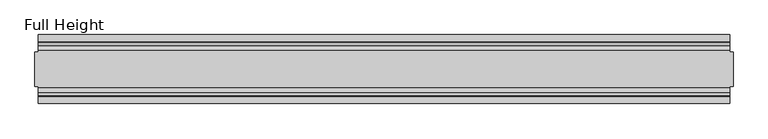
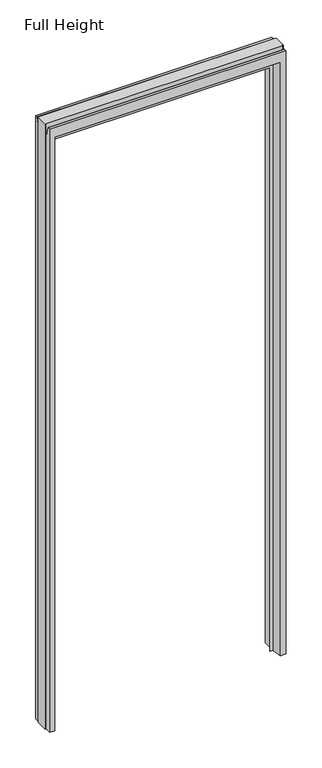
"""IFC4 building model written with IfcOpenShell, lengths in millimetres: plate geometry, Full Height."""

from ifc_helpers import new_model, si_unit, frame, origin, place, context, project, spatial, polyline, circle_curve, source, transform, mapped, element, save
from ifc_brep_helpers import plane_surface, cylinder_surface, revolved_surface, advanced_brep


def full_height_13b39094(model_context):
    return source(origin(), model_context, "Body", "AdvancedBrep", [
        advanced_brep(
        [(-502.2567824, -50.0, 0.0), (-502.2567824, -25.146, 0.0), (-506.8287824, -25.146, 0.0), (-506.8287824, 25.146, 0.0), (-502.2567824, 25.146, 0.0), (-502.2567824, 50.0, 0.0), (-474.1897824, 50.0, 0.0), (-474.1897824, -4.8306519, 0.0), (-461.4897824, -4.8306519, 0.0), (-461.4897824, -6.1006519, 0.0), (-474.1897824, -6.1006519, 0.0), (-480.1587824, -50.0, 0.0), (502.2567824, 50.0, 0.0), (502.2567824, 25.146, 0.0), (506.8287824, 25.146, 0.0), (506.8287824, -25.146, 0.0), (502.2567824, -25.146, 0.0), (502.2567824, -50.0, 0.0), (480.1587824, -50.0, 0.0), (474.1897824, -6.1006519, 0.0), (461.4897824, -6.1006519, 0.0), (461.4897824, -4.8306519, 0.0), (474.1897824, -4.8306519, 0.0), (474.1897824, 50.0, 0.0), (506.8287824, -25.146, 2720.34), (506.8287824, 25.146, 2720.34), (502.2567824, 25.146, 2720.34), (502.2567824, 26.67, 2720.34), (-502.2567824, 26.67, 2720.34), (-502.2567824, 25.146, 2720.34), (-506.8287824, 25.146, 2720.34), (-506.8287824, -25.146, 2720.34), (-502.2567824, -25.146, 2720.34), (-502.2567824, -26.67, 2720.34), (502.2567824, -26.67, 2720.34), (502.2567824, -25.146, 2720.34), (-502.2567824, 26.67, 2683.129), (-502.2567824, 34.2321175, 2682.4674004), (-502.2567824, 39.1867152, 2710.5663199), (-502.2567824, 39.9371387, 2711.196), (-502.2567824, 50.0, 2711.196), (-502.2567824, -50.0, 2711.196), (-502.2567824, -39.9371387, 2711.196), (-502.2567824, -39.1867152, 2710.5663199), (-502.2567824, -34.2321175, 2682.4674004), (-502.2567824, -26.67, 2683.129), (502.2567824, 50.0, 2711.196), (474.1897824, 50.0, 2666.619), (-474.1897824, 50.0, 2666.619), (-480.1587824, -50.0, 2666.619), (480.1587824, -50.0, 2666.619), (502.2567824, -50.0, 2711.196), (502.2567824, -26.67, 2683.129), (502.2567824, -34.2321175, 2682.4674004), (502.2567824, -39.1867152, 2710.5663199), (502.2567824, -39.9371387, 2711.196), (502.2567824, 39.9371387, 2711.196), (502.2567824, 39.1867152, 2710.5663199), (502.2567824, 34.2321175, 2682.4674004), (502.2567824, 26.67, 2683.129), (-474.1897824, -4.8306519, 2666.619), (474.1897824, -4.8306519, 2666.619), (461.4897824, -4.8306519, 2622.55), (-461.4897824, -4.8306519, 2622.55), (-461.4897824, -6.1006519, 2622.55), (461.4897824, -6.1006519, 2622.55), (474.1897824, -6.1006519, 2660.65), (-474.1897824, -6.1006519, 2660.65)],
        [
            (0, 1),
            (1, 2),
            (2, 3),
            (3, 4),
            (4, 5),
            (5, 6),
            (6, 7),
            (7, 8),
            (8, 9),
            (9, 10),
            (10, 11),
            (11, 0),
            (12, 13),
            (13, 14),
            (14, 15),
            (15, 16),
            (16, 17),
            (17, 18),
            (18, 19),
            (19, 20),
            (20, 21),
            (21, 22),
            (22, 23),
            (23, 12),
            (24, 25),
            (25, 26),
            (26, 27),
            (27, 28),
            (28, 29),
            (29, 30),
            (30, 31),
            (31, 32),
            (32, 33),
            (33, 34),
            (34, 35),
            (35, 24),
            (15, 24),
            (35, 16),
            (25, 14),
            (13, 26),
            (30, 3),
            (2, 31),
            (29, 4),
            (1, 32),
            (28, 36),
            (36, 37, circle_curve(frame((-502.2567824, 30.48, 2683.129), z_axis=(1.0, 0.0, 0.0), x_axis=(0.0, 1.0, 0.0)), 3.81)),
            (37, 38),
            (38, 39, circle_curve(frame((-502.2567824, 39.9371387, 2710.434), z_axis=(-1.0, 0.0, 0.0), x_axis=(0.0, 1.0, 0.0)), 0.762)),
            (39, 40),
            (40, 5),
            (0, 41),
            (41, 42),
            (42, 43, circle_curve(frame((-502.2567824, -39.9371387, 2710.434), z_axis=(-1.0, 0.0, 0.0), x_axis=(0.0, 1.0, 0.0)), 0.762)),
            (43, 44),
            (44, 45, circle_curve(frame((-502.2567824, -30.48, 2683.129), z_axis=(1.0, 0.0, 0.0), x_axis=(0.0, 1.0, 0.0)), 3.81)),
            (45, 33),
            (40, 46),
            (46, 12),
            (23, 47),
            (47, 48),
            (48, 6),
            (11, 49),
            (49, 50),
            (50, 18),
            (17, 51),
            (51, 41),
            (34, 52),
            (52, 53, circle_curve(frame((502.2567824, -30.48, 2683.129), z_axis=(-1.0, 0.0, 0.0), x_axis=(0.0, 1.0, 0.0)), 3.81)),
            (53, 54),
            (54, 55, circle_curve(frame((502.2567824, -39.9371387, 2710.434), z_axis=(1.0, 0.0, 0.0), x_axis=(0.0, 1.0, 0.0)), 0.762)),
            (55, 51),
            (46, 56),
            (56, 57, circle_curve(frame((502.2567824, 39.9371387, 2710.434), z_axis=(1.0, 0.0, 0.0), x_axis=(0.0, 1.0, 0.0)), 0.762)),
            (57, 58),
            (58, 59, circle_curve(frame((502.2567824, 30.48, 2683.129), z_axis=(-1.0, 0.0, 0.0), x_axis=(0.0, 1.0, 0.0)), 3.81)),
            (59, 27),
            (48, 60),
            (60, 7),
            (61, 47),
            (22, 61),
            (60, 61),
            (21, 62),
            (62, 63),
            (63, 8),
            (63, 64),
            (64, 9),
            (64, 65),
            (65, 20),
            (19, 66),
            (66, 67),
            (67, 10),
            (67, 49),
            (50, 66),
            (65, 62),
            (45, 52),
            (44, 53),
            (43, 54),
            (42, 55),
            (39, 56),
            (38, 57),
            (37, 58),
            (36, 59),
        ],
        [
            plane_surface(frame((-502.2567824, 50.0, 0.0), z_axis=(0.0, 0.0, -1.0), x_axis=(0.0, -1.0, 0.0))),
            plane_surface(frame((502.2567824, -25.146, 2720.34), z_axis=(0.0, 0.0, 1.0), x_axis=(-1.0, 0.0, 0.0))),
            plane_surface(frame((506.8287824, -25.146, 2720.34), z_axis=(0.0, -1.0, 0.0), x_axis=(0.0, 0.0, -1.0))),
            plane_surface(frame((502.2567824, 25.146, 2720.34), z_axis=(0.0, 1.0, 0.0), x_axis=(0.0, 0.0, -1.0))),
            plane_surface(frame((506.8287824, 25.146, 2720.34), z_axis=(1.0, 0.0, 0.0), x_axis=(0.0, 0.0, -1.0))),
            plane_surface(frame((-506.8287824, -25.146, 2720.34), z_axis=(-1.0, 0.0, 0.0), x_axis=(0.0, 0.0, -1.0))),
            plane_surface(frame((-506.8287824, 25.146, 2720.34), z_axis=(0.0, 1.0, 0.0), x_axis=(0.0, 0.0, -1.0))),
            plane_surface(frame((-502.2567824, -25.146, 2720.34), z_axis=(0.0, -1.0, 0.0), x_axis=(0.0, 0.0, -1.0))),
            plane_surface(frame((-502.2567824, -50.0, 2678.4046), z_axis=(-1.0, 0.0, 0.0), x_axis=(0.0, 0.0, -1.0))),
            plane_surface(frame((-502.2567824, 50.0, 2678.4046), z_axis=(0.0, 1.0, 0.0), x_axis=(0.0, 0.0, -1.0))),
            plane_surface(frame((-480.1587824, -50.0, 2678.4046), z_axis=(0.0, -1.0, 0.0), x_axis=(0.0, 0.0, -1.0))),
            plane_surface(frame((502.2567824, 50.0, 2678.4046), z_axis=(1.0, 0.0, 0.0), x_axis=(0.0, 0.0, -1.0))),
            plane_surface(frame((-474.1897824, 50.0, 2678.4046), z_axis=(1.0, 0.0, 0.0), x_axis=(0.0, 0.0, -1.0))),
            plane_surface(frame((474.1897824, -4.8306519, 2678.4046), z_axis=(-1.0, 0.0, 0.0), x_axis=(0.0, 0.0, -1.0))),
            plane_surface(frame((-474.1897824, -4.8306519, 2678.4046), z_axis=(0.0, 1.0, 0.0), x_axis=(0.0, 0.0, -1.0))),
            plane_surface(frame((-461.4897824, -4.8306519, 2678.4046), z_axis=(1.0, 0.0, 0.0), x_axis=(0.0, 0.0, -1.0))),
            plane_surface(frame((-461.4897824, -6.1006519, 2678.4046), z_axis=(0.0, -1.0, 0.0), x_axis=(0.0, 0.0, -1.0))),
            plane_surface(frame((-474.1897824, -6.1006519, 2678.4046), z_axis=(0.9908822943533607, -0.13473039277393886, 0.0), x_axis=(0.0, 0.0, -1.0))),
            plane_surface(frame((480.1587824, -50.0, 2678.4046), z_axis=(-0.9908822943533605, -0.13473039277394036, 0.0), x_axis=(0.0, 0.0, -1.0))),
            plane_surface(frame((461.4897824, -6.1006519, 2678.4046), z_axis=(-1.0, 0.0, 0.0), x_axis=(0.0, 0.0, -1.0))),
            plane_surface(frame((-502.2567824, -26.67, 2720.34), z_axis=(0.0, -1.0, 0.0), x_axis=(1.0, 0.0, 0.0))),
            revolved_surface(polyline([(502.2567824, -26.67, 2683.129), (-502.2567824, -26.67, 2683.129)]), (502.2567824, -30.48, 2683.129), (1.0, 0.0, 0.0)),
            plane_surface(frame((-502.2567824, -34.2321175, 2682.4674004), z_axis=(0.0, 0.9848077530121587, 0.1736481776672104), x_axis=(1.0, 0.0, 0.0))),
            cylinder_surface(frame((502.2567824, -39.9371387, 2710.434), z_axis=(-1.0, 0.0, 0.0), x_axis=(0.0, 1.0, 0.0)), 0.762),
            plane_surface(frame((-502.2567824, -39.9371387, 2711.196), z_axis=(0.0, 0.0, 1.0), x_axis=(1.0, 0.0, 0.0))),
            plane_surface(frame((-502.2567824, -4.8306519, 2666.619), z_axis=(0.0, 0.0, -1.0), x_axis=(1.0, 0.0, 0.0))),
            plane_surface(frame((-502.2567824, 50.0, 2711.196), z_axis=(0.0, 0.0, 1.0), x_axis=(1.0, 0.0, 0.0))),
            cylinder_surface(frame((502.2567824, 39.9371387, 2710.434), z_axis=(-1.0, 0.0, 0.0), x_axis=(0.0, 1.0, 0.0)), 0.762),
            plane_surface(frame((-502.2567824, 39.1867152, 2710.5663199), z_axis=(0.0, -0.9848077530121684, 0.17364817766715565), x_axis=(1.0, 0.0, 0.0))),
            revolved_surface(polyline([(502.2567824, 34.29, 2683.129), (-502.2567824, 34.29, 2683.129)]), (502.2567824, 30.48, 2683.129), (1.0, 0.0, 0.0)),
            plane_surface(frame((-502.2567824, 26.67, 2683.129), z_axis=(0.0, 1.0, 0.0), x_axis=(1.0, 0.0, 0.0))),
            plane_surface(frame((-502.2567824, -50.0, 2666.619), z_axis=(0.0, -0.13473039277391335, -0.9908822943533642), x_axis=(1.0, 0.0, 0.0))),
            plane_surface(frame((-502.2567824, -6.1006519, 2622.55), z_axis=(0.0, 0.0, -1.0), x_axis=(1.0, 0.0, 0.0))),
        ],
        [
            (0, [[1, 2, 3, 4, 5, 6, 7, 8, 9, 10, 11, 12]]),
            (0, [[13, 14, 15, 16, 17, 18, 19, 20, 21, 22, 23, 24]]),
            (1, [[25, 26, 27, 28, 29, 30, 31, 32, 33, 34, 35, 36]]),
            (2, [[-16, 37, -36, 38]]),
            (3, [[39, -14, 40, -26]]),
            (4, [[-37, -15, -39, -25]]),
            (5, [[41, -3, 42, -31]]),
            (6, [[-4, -41, -30, 43]]),
            (7, [[-42, -2, 44, -32]]),
            (8, [[-43, -29, 45, 46, 47, 48, 49, 50, -5]]),
            (8, [[51, 52, 53, 54, 55, 56, -33, -44, -1]]),
            (9, [[57, 58, -24, 59, 60, 61, -6, -50]]),
            (10, [[62, 63, 64, -18, 65, 66, -51, -12]]),
            (11, [[-38, -35, 67, 68, 69, 70, 71, -65, -17]]),
            (11, [[72, 73, 74, 75, 76, -27, -40, -13, -58]]),
            (12, [[-61, 77, 78, -7]]),
            (13, [[79, -59, -23, 80]]),
            (14, [[-78, 81, -80, -22, 82, 83, 84, -8]]),
            (15, [[-84, 85, 86, -9]]),
            (16, [[-86, 87, 88, -20, 89, 90, 91, -10]]),
            (17, [[92, -62, -11, -91]]),
            (18, [[-64, 93, -89, -19]]),
            (19, [[-88, 94, -82, -21]]),
            (20, [[95, -67, -34, -56]]),
            (21, [[96, -68, -95, -55]]),
            (22, [[97, -69, -96, -54]]),
            (23, [[98, -70, -97, -53]]),
            (24, [[-66, -71, -98, -52]]),
            (25, [[-79, -81, -77, -60]]),
            (26, [[99, -72, -57, -49]]),
            (27, [[100, -73, -99, -48]]),
            (28, [[101, -74, -100, -47]]),
            (29, [[102, -75, -101, -46]]),
            (30, [[-28, -76, -102, -45]]),
            (31, [[-92, -90, -93, -63]]),
            (32, [[-85, -83, -94, -87]]),
        ],
    ),
    ])


if __name__ == "__main__":
    model = new_model("IFC4")
    model_context = context("Model", 3, world=origin())
    ifc_project = project(units=[si_unit("LENGTHUNIT", "METRE", prefix="MILLI")], contexts=[model_context])
    site = spatial("IfcSite", under=ifc_project)
    building = spatial("IfcBuilding", under=site)
    placement = place(None, origin())
    full_height_shape = full_height_13b39094(model_context)
    element("IfcPlate", 1, ObjectType="Full Height", at=placement, inside=building, context=model_context, shape_type="MappedRepresentation", body=[
        mapped(full_height_shape, transform((0.0, 0.0, 0.0), x_axis=(1.0, 0.0, 0.0), y_axis=(0.0, 1.0, 0.0), z_axis=(0.0, 0.0, 1.0))),
    ])
    save(model, "model.ifc")
